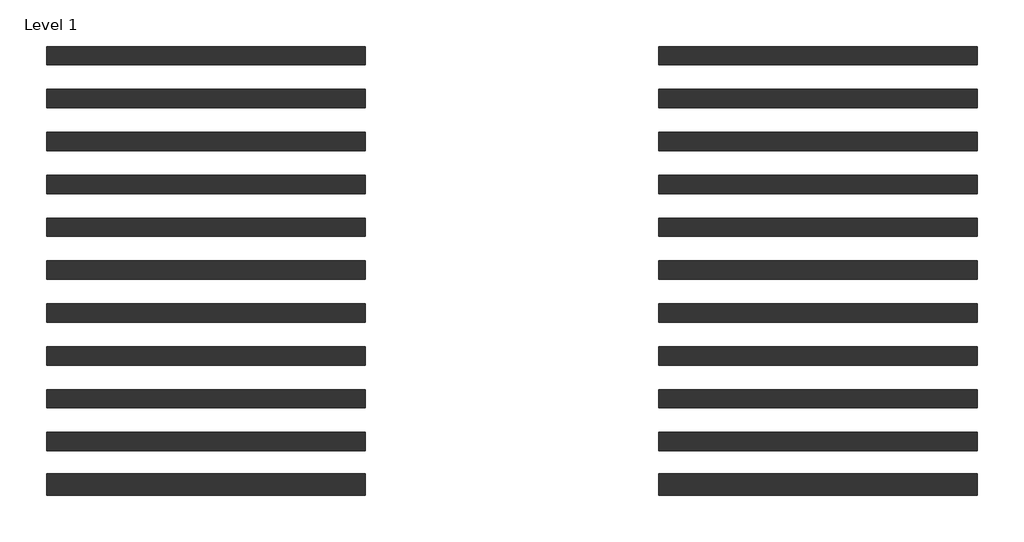
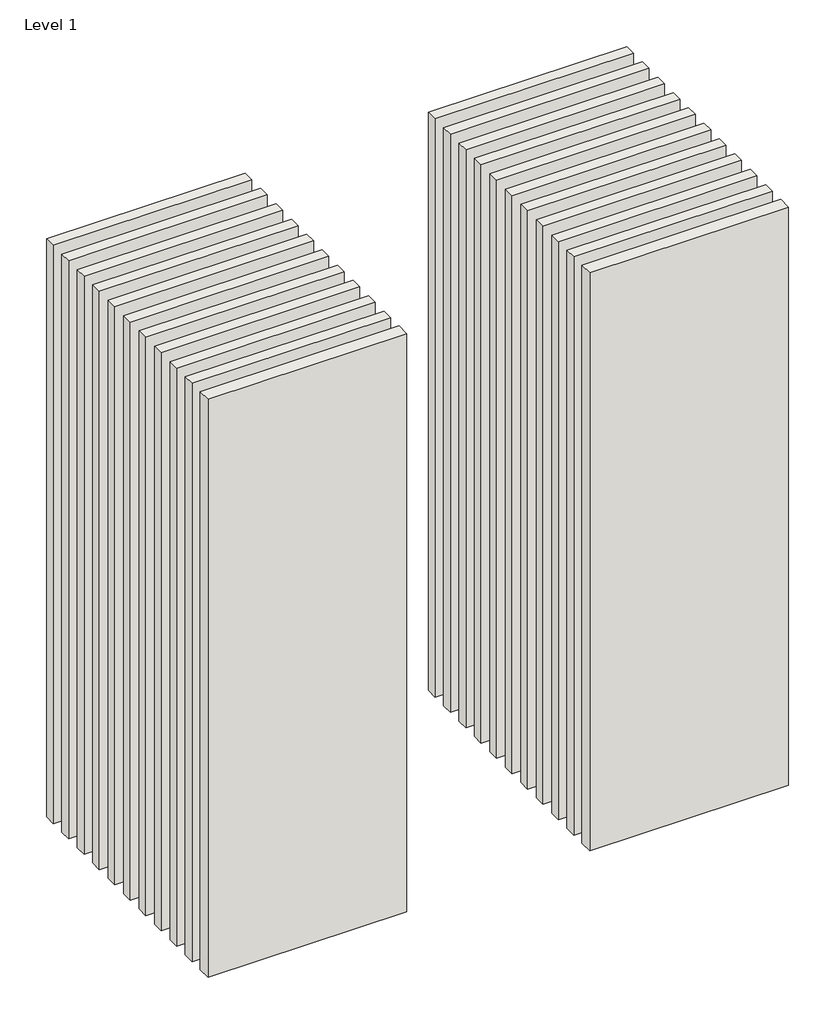
# One storey: 22 walls.
"""IFC4 building model written with IfcOpenShell, lengths in millimetres."""

from ifc_helpers import new_model, si_unit, origin, origin_with_axes, place, context, project, spatial, polyline, outline, extrude, element, save

model = new_model("IFC4")

# Units and contexts
model_context = context("Model", 3, world=origin())
ifc_project = project(units=[si_unit("LENGTHUNIT", "METRE", prefix="MILLI")], contexts=[model_context])

# Site, building, storey
site = spatial("IfcSite", under=ifc_project)
building = spatial("IfcBuilding", under=site)
storey = spatial("IfcBuildingStorey", under=building, Name="Level 1", Elevation=0.0)

# Walls
placement = place(None, origin())
element("IfcWall", 1, at=placement, inside=storey, context=model_context, shape_type="SweptSolid", body=[
    extrude(outline(polyline([(-16904.1464237, 3662.5198817), (-19504.1464237, 3662.5198817), (-19504.1464237, 3812.5198817), (-16904.1464237, 3812.5198817), (-16904.1464237, 3662.5198817)])), origin_with_axes(), (0.0, 0.0, 1.0), 8000.0),
])
element("IfcWall", 2, at=placement, inside=storey, context=model_context, shape_type="SweptSolid", body=[
    extrude(outline(polyline([(-16904.1464237, 3312.5198817), (-19504.1464237, 3312.5198817), (-19504.1464237, 3462.5198817), (-16904.1464237, 3462.5198817), (-16904.1464237, 3312.5198817)])), origin_with_axes(), (0.0, 0.0, 1.0), 8000.0),
])
element("IfcWall", 3, at=placement, inside=storey, context=model_context, shape_type="SweptSolid", body=[
    extrude(outline(polyline([(-16904.1464237, 2962.5198817), (-19504.1464237, 2962.5198817), (-19504.1464237, 3112.5198817), (-16904.1464237, 3112.5198817), (-16904.1464237, 2962.5198817)])), origin_with_axes(), (0.0, 0.0, 1.0), 8000.0),
])
element("IfcWall", 4, at=placement, inside=storey, context=model_context, shape_type="SweptSolid", body=[
    extrude(outline(polyline([(-16904.1464237, 2612.5198817), (-19504.1464237, 2612.5198817), (-19504.1464237, 2762.5198817), (-16904.1464237, 2762.5198817), (-16904.1464237, 2612.5198817)])), origin_with_axes(), (0.0, 0.0, 1.0), 8000.0),
])
element("IfcWall", 5, at=placement, inside=storey, context=model_context, shape_type="SweptSolid", body=[
    extrude(outline(polyline([(-16904.1464237, 2262.5198817), (-19504.1464237, 2262.5198817), (-19504.1464237, 2412.5198817), (-16904.1464237, 2412.5198817), (-16904.1464237, 2262.5198817)])), origin_with_axes(), (0.0, 0.0, 1.0), 8000.0),
])
element("IfcWall", 6, at=placement, inside=storey, context=model_context, shape_type="SweptSolid", body=[
    extrude(outline(polyline([(-16904.1464237, 1912.5198817), (-19504.1464237, 1912.5198817), (-19504.1464237, 2062.5198817), (-16904.1464237, 2062.5198817), (-16904.1464237, 1912.5198817)])), origin_with_axes(), (0.0, 0.0, 1.0), 8000.0),
])
element("IfcWall", 7, at=placement, inside=storey, context=model_context, shape_type="SweptSolid", body=[
    extrude(outline(polyline([(-16904.1464237, 1562.5198817), (-19504.1464237, 1562.5198817), (-19504.1464237, 1712.5198817), (-16904.1464237, 1712.5198817), (-16904.1464237, 1562.5198817)])), origin_with_axes(), (0.0, 0.0, 1.0), 8000.0),
])
element("IfcWall", 8, at=placement, inside=storey, context=model_context, shape_type="SweptSolid", body=[
    extrude(outline(polyline([(-16904.1464237, 1212.5198817), (-19504.1464237, 1212.5198817), (-19504.1464237, 1362.5198817), (-16904.1464237, 1362.5198817), (-16904.1464237, 1212.5198817)])), origin_with_axes(), (0.0, 0.0, 1.0), 8000.0),
])
element("IfcWall", 9, at=placement, inside=storey, context=model_context, shape_type="SweptSolid", body=[
    extrude(outline(polyline([(-16904.1464237, 862.5198817), (-19504.1464237, 862.5198817), (-19504.1464237, 1012.5198817), (-16904.1464237, 1012.5198817), (-16904.1464237, 862.5198817)])), origin_with_axes(), (0.0, 0.0, 1.0), 8000.0),
])
element("IfcWall", 10, at=placement, inside=storey, context=model_context, shape_type="SweptSolid", body=[
    extrude(outline(polyline([(-16904.1464237, 512.5198817), (-19504.1464237, 512.5198817), (-19504.1464237, 662.5198817), (-16904.1464237, 662.5198817), (-16904.1464237, 512.5198817)])), origin_with_axes(), (0.0, 0.0, 1.0), 8000.0),
])
element("IfcWall", 11, at=placement, inside=storey, context=model_context, shape_type="SweptSolid", body=[
    extrude(outline(polyline([(-16904.1464237, 150.0198817), (-19504.1464237, 150.0198817), (-19504.1464237, 325.0198817), (-16904.1464237, 325.0198817), (-16904.1464237, 150.0198817)])), origin_with_axes(), (0.0, 0.0, 1.0), 8000.0),
])
element("IfcWall", 12, at=placement, inside=storey, context=model_context, shape_type="SweptSolid", body=[
    extrude(outline(polyline([(-11904.1464237, 3662.5198817), (-14504.1464237, 3662.5198817), (-14504.1464237, 3812.5198817), (-11904.1464237, 3812.5198817), (-11904.1464237, 3662.5198817)])), origin_with_axes(), (0.0, 0.0, 1.0), 8000.0),
])
element("IfcWall", 13, at=placement, inside=storey, context=model_context, shape_type="SweptSolid", body=[
    extrude(outline(polyline([(-11904.1464237, 3312.5198817), (-14504.1464237, 3312.5198817), (-14504.1464237, 3462.5198817), (-11904.1464237, 3462.5198817), (-11904.1464237, 3312.5198817)])), origin_with_axes(), (0.0, 0.0, 1.0), 8000.0),
])
element("IfcWall", 14, at=placement, inside=storey, context=model_context, shape_type="SweptSolid", body=[
    extrude(outline(polyline([(-11904.1464237, 2962.5198817), (-14504.1464237, 2962.5198817), (-14504.1464237, 3112.5198817), (-11904.1464237, 3112.5198817), (-11904.1464237, 2962.5198817)])), origin_with_axes(), (0.0, 0.0, 1.0), 8000.0),
])
element("IfcWall", 15, at=placement, inside=storey, context=model_context, shape_type="SweptSolid", body=[
    extrude(outline(polyline([(-11904.1464237, 2612.5198817), (-14504.1464237, 2612.5198817), (-14504.1464237, 2762.5198817), (-11904.1464237, 2762.5198817), (-11904.1464237, 2612.5198817)])), origin_with_axes(), (0.0, 0.0, 1.0), 8000.0),
])
element("IfcWall", 16, at=placement, inside=storey, context=model_context, shape_type="SweptSolid", body=[
    extrude(outline(polyline([(-11904.1464237, 2262.5198817), (-14504.1464237, 2262.5198817), (-14504.1464237, 2412.5198817), (-11904.1464237, 2412.5198817), (-11904.1464237, 2262.5198817)])), origin_with_axes(), (0.0, 0.0, 1.0), 8000.0),
])
element("IfcWall", 17, at=placement, inside=storey, context=model_context, shape_type="SweptSolid", body=[
    extrude(outline(polyline([(-11904.1464237, 1912.5198817), (-14504.1464237, 1912.5198817), (-14504.1464237, 2062.5198817), (-11904.1464237, 2062.5198817), (-11904.1464237, 1912.5198817)])), origin_with_axes(), (0.0, 0.0, 1.0), 8000.0),
])
element("IfcWall", 18, at=placement, inside=storey, context=model_context, shape_type="SweptSolid", body=[
    extrude(outline(polyline([(-11904.1464237, 1562.5198817), (-14504.1464237, 1562.5198817), (-14504.1464237, 1712.5198817), (-11904.1464237, 1712.5198817), (-11904.1464237, 1562.5198817)])), origin_with_axes(), (0.0, 0.0, 1.0), 8000.0),
])
element("IfcWall", 19, at=placement, inside=storey, context=model_context, shape_type="SweptSolid", body=[
    extrude(outline(polyline([(-11904.1464237, 1212.5198817), (-14504.1464237, 1212.5198817), (-14504.1464237, 1362.5198817), (-11904.1464237, 1362.5198817), (-11904.1464237, 1212.5198817)])), origin_with_axes(), (0.0, 0.0, 1.0), 8000.0),
])
element("IfcWall", 20, at=placement, inside=storey, context=model_context, shape_type="SweptSolid", body=[
    extrude(outline(polyline([(-11904.1464237, 862.5198817), (-14504.1464237, 862.5198817), (-14504.1464237, 1012.5198817), (-11904.1464237, 1012.5198817), (-11904.1464237, 862.5198817)])), origin_with_axes(), (0.0, 0.0, 1.0), 8000.0),
])
element("IfcWall", 21, at=placement, inside=storey, context=model_context, shape_type="SweptSolid", body=[
    extrude(outline(polyline([(-11904.1464237, 512.5198817), (-14504.1464237, 512.5198817), (-14504.1464237, 662.5198817), (-11904.1464237, 662.5198817), (-11904.1464237, 512.5198817)])), origin_with_axes(), (0.0, 0.0, 1.0), 8000.0),
])
element("IfcWall", 22, at=placement, inside=storey, context=model_context, shape_type="SweptSolid", body=[
    extrude(outline(polyline([(-11904.1464237, 150.0198817), (-14504.1464237, 150.0198817), (-14504.1464237, 325.0198817), (-11904.1464237, 325.0198817), (-11904.1464237, 150.0198817)])), origin_with_axes(), (0.0, 0.0, 1.0), 8000.0),
])

save(model, "model.ifc")
